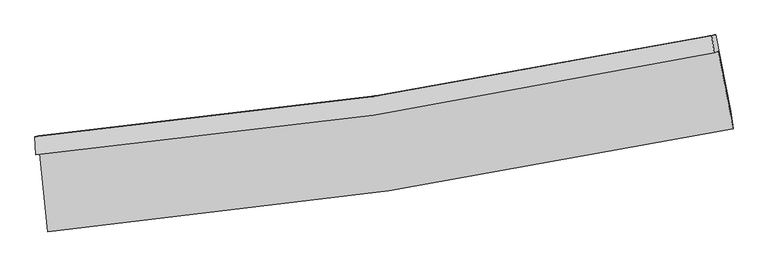
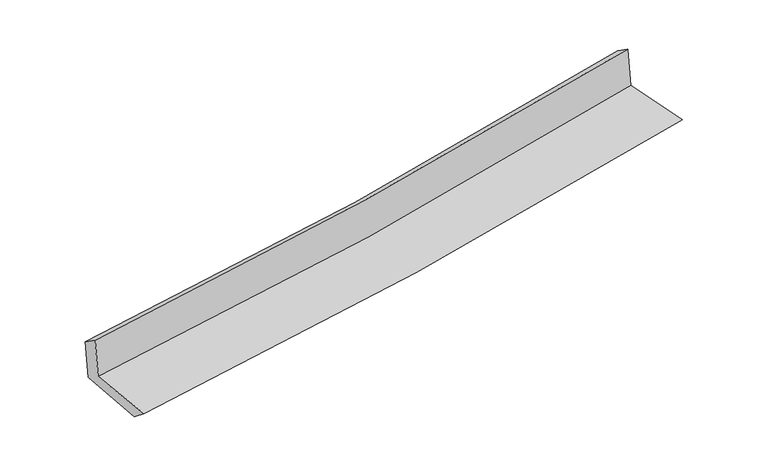
"""IFC4 building model written with IfcOpenShell, lengths in millimetres: proxy geometry."""

from ifc_helpers import new_model, si_unit, frame, origin, place, context, project, spatial, source, transform, mapped, element, save
from ifc_brep_helpers import plane_surface, spline_curve, spline_surface, advanced_brep


def generic_models_14f62674(model_context):
    return source(origin(), model_context, "Body", "AdvancedBrep", [
        advanced_brep(
        [(-2908.9464962, -1907.9507273, 1639.0084643), (-2839.4137278, -2571.4451647, 1628.3514607), (3000.2765632, -1695.6042388, 2128.8023663), (2872.7727094, -1035.744378, 2134.3506681), (-2943.5378494, -1917.9953341, 2038.6806735), (2838.1813562, -1045.7889848, 2534.0228772), (-2949.9922512, -1762.8492692, 1931.1907392), (2819.6206827, -902.7500407, 2435.8829166), (-2915.9941736, -1754.8426176, 1540.5365523), (2853.7536374, -894.725297, 2045.4806148), (-2844.2457301, -2419.0617366, 1505.8656736), (2981.6811723, -1545.5146686, 2016.1936189)],
        [
            (0, 1),
            (1, 2, spline_curve(3, [(-2839.4137278, -2571.4451647, 1628.3514607), (-1866.738681803, -2484.216061792, 1713.594654419), (-898.059518054, -2368.52081648, 1797.560461705), (1048.648869303, -2077.606495072, 1964.423769689), (2026.533135822, -1901.354765091, 2047.274930745), (3000.2765632, -1695.6042388, 2128.8023663)], [4, 2, 4], [0.0, 9.592981005239077, 19.358412181023226])),
            (2, 3),
            (3, 0, spline_curve(3, [(2872.7727094, -1035.744378, 2134.3506681), (1909.918118309, -1245.371490434, 2053.668226841), (942.347147186, -1423.235944813, 1971.669143333), (-985.057692955, -1712.859490531, 1806.508983935), (-1944.726456802, -1825.730485587, 1723.39399979), (-2908.9464962, -1907.9507273, 1639.0084643)], [4, 2, 4], [0.0, 9.76543117578415, 19.358412181023226])),
            (4, 0),
            (3, 5),
            (5, 4, spline_curve(3, [(2838.1813562, -1045.7889848, 2534.0228772), (1874.746933762, -1255.58446821, 2460.039872075), (906.888629047, -1433.532358279, 2381.360666513), (-1020.505971236, -1723.152930552, 2216.082200266), (-1979.88740194, -1835.940490077, 2129.647338106), (-2943.5378494, -1917.9953341, 2038.6806735)], [4, 2, 4], [0.0, 9.717858061558914, 19.26410605799297])),
            (6, 4),
            (5, 7),
            (7, 6, spline_curve(3, [(2819.6206827, -902.7500407, 2435.8829166), (1858.34038634, -1103.49503533, 2346.99311329), (892.576460371, -1275.931010727, 2260.133797234), (-1030.784807814, -1561.639749416, 2091.974151897), (-1988.225193112, -1675.903516892, 2010.602742467), (-2949.9922512, -1762.8492692, 1931.1907392)], [4, 2, 4], [0.0, 9.706502831503826, 19.24159612270595])),
            (8, 6),
            (7, 9),
            (9, 8, spline_curve(3, [(2853.7536374, -894.725297, 2045.4806148), (1892.158883187, -1095.54306159, 1959.883172364), (926.227688393, -1268.01663274, 1874.634005656), (-997.173386229, -1553.730171047, 1706.331509827), (-1954.491461774, -1667.962373669, 1623.26598924), (-2915.9941736, -1754.8426176, 1540.5365523)], [4, 2, 4], [0.0, 9.695361042197767, 19.219509299713877])),
            (10, 8),
            (9, 11),
            (11, 10, spline_curve(3, [(2981.6811723, -1545.5146686, 2016.1936189), (2009.621537419, -1744.038518677, 1929.900789647), (1033.73914166, -1916.514523462, 1843.85034108), (-908.37031458, -2206.785031956, 1673.749510871), (-1874.463552996, -2325.491382913, 1589.69064435), (-2844.2457301, -2419.0617366, 1505.8656736)], [4, 2, 4], [0.0, 9.74291177049609, 19.31377104620894])),
            (1, 10),
            (11, 2),
        ],
        [
            spline_surface(3, 3, [[(-2908.9464962, -1907.9507273, 1639.0084643), (-1944.72645667, -1825.730485716, 1723.393999732), (-985.057692821, -1712.859490488, 1806.50898406), (942.347147049, -1423.235944856, 1971.669143206), (1909.91811838, -1245.371490339, 2053.66822686), (2872.7727094, -1035.744378, 2134.3506681)], [(-2885.768906713, -2129.115539744, 1635.456129751), (-1918.730531653, -2045.225677692, 1720.127551262), (-956.05830121, -1931.413265803, 1803.526143335), (977.781054448, -1641.359461596, 1969.254018676), (1948.789790893, -1464.032581902, 2051.537128132), (2915.27399401, -1255.697664927, 2132.501234188)], [(-2862.591317287, -2350.280352256, 1631.903795249), (-1892.734606697, -2264.720869736, 1716.861102839), (-927.058909604, -2149.967041139, 1800.543302555), (1013.214961842, -1859.482978358, 1966.838894092), (1987.661463376, -1682.693673485, 2049.406029338), (2957.77527859, -1475.650951873, 2130.651800212)], [(-2839.4137278, -2571.4451647, 1628.3514607), (-1866.73868168, -2484.216061712, 1713.594654369), (-898.059517993, -2368.520816453, 1797.560461829), (1048.648869241, -2077.606495099, 1964.423769563), (2026.533135889, -1901.354765048, 2047.27493061), (3000.2765632, -1695.6042388, 2128.8023663)]], [4, 4], [4, 2, 4], [0.0, 2.1724792626784293], [0.0, 9.592981005239077, 19.358412181023226]),
            spline_surface(3, 3, [[(-2943.5378494, -1917.9953341, 2038.6806735), (-1979.887402054, -1835.940490195, 2129.647338191), (-1020.505971334, -1723.152930579, 2216.082200313), (906.888629147, -1433.532358252, 2381.360666465), (1874.746933607, -1255.584468123, 2460.039872225), (2838.1813562, -1045.7889848, 2534.0228772)], [(-2932.007398348, -1914.647131832, 1905.456603776), (-1968.16708694, -1832.537155367, 1994.229558713), (-1008.689878508, -1719.721783903, 2079.557794868), (918.708135102, -1430.100220474, 2244.796825351), (1886.47066185, -1252.180142193, 2324.582657079), (2849.711807252, -1042.440782532, 2400.798807476)], [(-2920.476947252, -1911.298929568, 1772.232534024), (-1956.446771783, -1829.133820544, 1858.811779209), (-996.873785646, -1716.290637165, 1943.033389505), (930.527641094, -1426.668082634, 2108.23298432), (1898.194390137, -1248.775816269, 2189.125442006), (2861.242258348, -1039.092580268, 2267.574737824)], [(-2908.9464962, -1907.9507273, 1639.0084643), (-1944.72645667, -1825.730485716, 1723.393999732), (-985.057692821, -1712.859490488, 1806.50898406), (942.347147049, -1423.235944856, 1971.669143206), (1909.91811838, -1245.371490339, 2053.66822686), (2872.7727094, -1035.744378, 2134.3506681)]], [4, 4], [4, 2, 4], [0.0, 1.3493860567303628], [0.0, 9.546247996434055, 19.26410605799297]),
            spline_surface(3, 3, [[(-2949.9922512, -1762.8492692, 1931.1907392), (-1988.225193219, -1675.90351701, 2010.602742319), (-1030.784807799, -1561.639749571, 2091.974151934), (892.576460356, -1275.93101057, 2260.133797196), (1858.340386182, -1103.49503518, 2346.993113377), (2819.6206827, -902.7500407, 2435.8829166)], [(-2947.840783917, -1814.56462419, 1967.020717297), (-1985.445929481, -1729.249174762, 2050.284274273), (-1027.358528978, -1615.477476569, 2133.343501421), (897.347183285, -1328.464793126, 2300.542753646), (1863.809235322, -1154.191512842, 2384.675366331), (2825.807573865, -950.429688748, 2468.596236804)], [(-2945.689316683, -1866.27997911, 2002.850695403), (-1982.666665791, -1782.594832443, 2089.965806237), (-1023.932250155, -1669.315203582, 2174.712850827), (902.117906218, -1380.998575696, 2340.951710015), (1869.278084467, -1204.887990461, 2422.357619272), (2831.994465035, -998.109336752, 2501.309556996)], [(-2943.5378494, -1917.9953341, 2038.6806735), (-1979.887402054, -1835.940490195, 2129.647338191), (-1020.505971334, -1723.152930579, 2216.082200313), (906.888629147, -1433.532358252, 2381.360666465), (1874.746933607, -1255.584468123, 2460.039872225), (2838.1813562, -1045.7889848, 2534.0228772)]], [4, 4], [4, 2, 4], [0.0, 0.6613950703135384], [0.0, 9.535093291202124, 19.24159612270595]),
            spline_surface(3, 3, [[(-2915.9941736, -1754.8426176, 1540.5365523), (-1954.491461638, -1667.962373566, 1623.265989184), (-997.173386195, -1553.730171072, 1706.331509981), (926.227688359, -1268.016632715, 1874.634005499), (1892.15888331, -1095.543061679, 1959.88317222), (2853.7536374, -894.725297, 2045.4806148)], [(-2927.32686616, -1757.511501442, 1670.754614617), (-1965.736038859, -1670.609421356, 1752.378240246), (-1008.377193396, -1556.36669722, 1834.879057274), (915.010612359, -1270.654758648, 2003.13393604), (1880.886050964, -1098.193719489, 2088.9198193), (2842.375985864, -897.400211543, 2175.614715428)], [(-2938.65955864, -1760.180385358, 1800.972676883), (-1976.980615999, -1673.25646922, 1881.490491257), (-1019.581000599, -1559.003223423, 1963.426604642), (903.793536356, -1273.292884636, 2131.633866656), (1869.613218527, -1100.84437737, 2217.956466297), (2830.998334236, -900.075126157, 2305.748815972)], [(-2949.9922512, -1762.8492692, 1931.1907392), (-1988.225193219, -1675.90351701, 2010.602742319), (-1030.784807799, -1561.639749571, 2091.974151934), (892.576460356, -1275.93101057, 2260.133797196), (1858.340386182, -1103.49503518, 2346.993113377), (2819.6206827, -902.7500407, 2435.8829166)]], [4, 4], [4, 2, 4], [0.0, 1.2700629903502845], [0.0, 9.52414825751611, 19.219509299713877]),
            spline_surface(3, 3, [[(-2844.2457301, -2419.0617366, 1505.8656736), (-1874.463553026, -2325.491382893, 1589.690644404), (-908.370314538, -2206.785031854, 1673.749510883), (1033.739141617, -1916.514523565, 1843.850341068), (2009.621537281, -1744.038518615, 1929.900789655), (2981.6811723, -1545.5146686, 2016.1936189)], [(-2868.161877929, -2197.655363594, 1517.422633166), (-1901.139522559, -2106.315046445, 1600.882425996), (-937.97133843, -1989.100078282, 1684.610177272), (997.901990524, -1700.34855997, 1854.111562568), (1970.467319274, -1527.873366301, 1939.89491715), (2939.03866065, -1328.584878065, 2025.95595084)], [(-2892.078025771, -1976.248990606, 1528.979592734), (-1927.815492106, -1887.138710014, 1612.074207591), (-967.572362303, -1771.415124644, 1695.470843592), (962.064839451, -1484.182596309, 1864.372783999), (1931.313101316, -1311.708213993, 1949.889044725), (2896.39614905, -1111.655087535, 2035.71828286)], [(-2915.9941736, -1754.8426176, 1540.5365523), (-1954.491461638, -1667.962373566, 1623.265989184), (-997.173386195, -1553.730171072, 1706.331509981), (926.227688359, -1268.016632715, 1874.634005499), (1892.15888331, -1095.543061679, 1959.88317222), (2853.7536374, -894.725297, 2045.4806148)]], [4, 4], [4, 2, 4], [0.0, 2.1616930030010835], [0.0, 9.570859275712852, 19.31377104620894]),
            spline_surface(3, 3, [[(-2839.4137278, -2571.4451647, 1628.3514607), (-1866.73868168, -2484.216061712, 1713.594654369), (-898.059517993, -2368.520816453, 1797.560461829), (1048.648869241, -2077.606495099, 1964.423769563), (2026.533135889, -1901.354765048, 2047.27493061), (3000.2765632, -1695.6042388, 2128.8023663)], [(-2841.024395233, -2520.650688698, 1587.522864994), (-1869.313638794, -2431.30783547, 1672.293317708), (-901.496450158, -2314.608888241, 1756.290144832), (1043.67896005, -2023.909171242, 1924.232626716), (2020.895936344, -1848.916016257, 2008.150216956), (2994.078099558, -1645.574382087, 2091.266117164)], [(-2842.635062667, -2469.856212602, 1546.694269306), (-1871.888595911, -2378.399609134, 1630.991981065), (-904.933382373, -2260.696960066, 1715.01982788), (1038.709050808, -1970.211847422, 1884.041483915), (2015.258736825, -1796.477267406, 1969.025503309), (2987.879635942, -1595.544525313, 2053.729868036)], [(-2844.2457301, -2419.0617366, 1505.8656736), (-1874.463553026, -2325.491382893, 1589.690644404), (-908.370314538, -2206.785031854, 1673.749510883), (1033.739141617, -1916.514523565, 1843.850341068), (2009.621537281, -1744.038518615, 1929.900789655), (2981.6811723, -1545.5146686, 2016.1936189)]], [4, 4], [4, 2, 4], [0.0, 0.6654217407780911], [0.0, 9.628602604319859, 19.430295738092333]),
            plane_surface(frame((2894.3810202, -1186.6879346, 2215.7888437), z_axis=(0.9780483609672859, 0.18823546410372993, 0.08938016369899568), x_axis=(-0.08707969737088016, -0.02047265625237902, 0.9959909621335767))),
            plane_surface(frame((-2900.355038, -2055.6908083, 1713.9389273), z_axis=(-0.9908123263663806, -0.10241624920823773, -0.08832805793493391), x_axis=(-0.10421374266269923, 0.994426657827788, 0.015972415023660043))),
        ],
        [
            (0, [[1, 2, 3, 4]]),
            (1, [[5, -4, 6, 7]]),
            (2, [[8, -7, 9, 10]]),
            (3, [[11, -10, 12, 13]]),
            (4, [[14, -13, 15, 16]]),
            (5, [[17, -16, 18, -2]]),
            (6, [[-12, -9, -6, -3, -18, -15]]),
            (7, [[-1, -5, -8, -11, -14, -17]]),
        ],
    ),
    ])


if __name__ == "__main__":
    model = new_model("IFC4")
    model_context = context("Model", 3, world=origin())
    ifc_project = project(units=[si_unit("LENGTHUNIT", "METRE", prefix="MILLI")], contexts=[model_context])
    site = spatial("IfcSite", under=ifc_project)
    building = spatial("IfcBuilding", under=site)
    placement = place(None, origin())
    generic_models_shape = generic_models_14f62674(model_context)
    element("IfcBuildingElementProxy", 1, Name="Generic Models", at=placement, inside=building, context=model_context, shape_type="MappedRepresentation", body=[
        mapped(generic_models_shape, transform((0.0, 0.0, 0.0), x_axis=(1.0, 0.0, 0.0), y_axis=(0.0, 1.0, 0.0), z_axis=(0.0, 0.0, 1.0))),
    ])
    save(model, "model.ifc")
